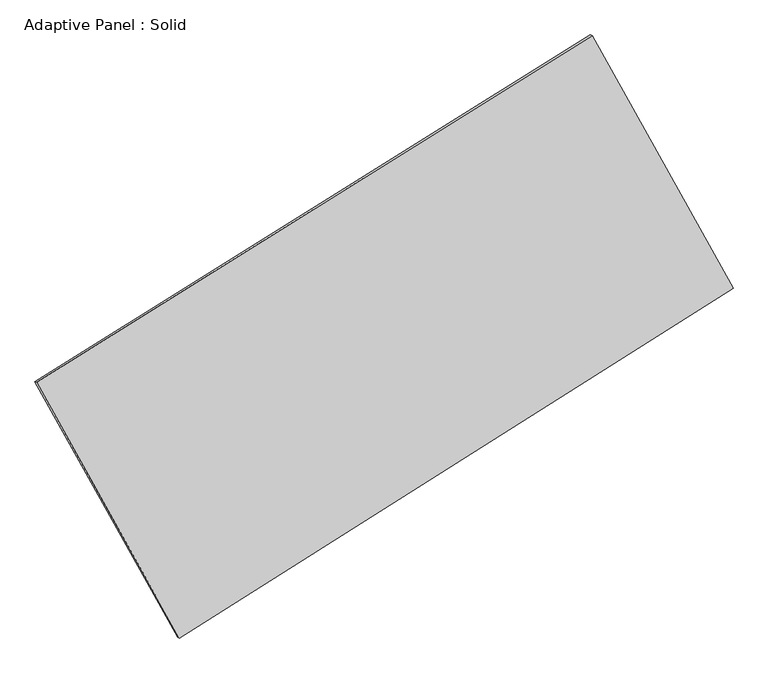
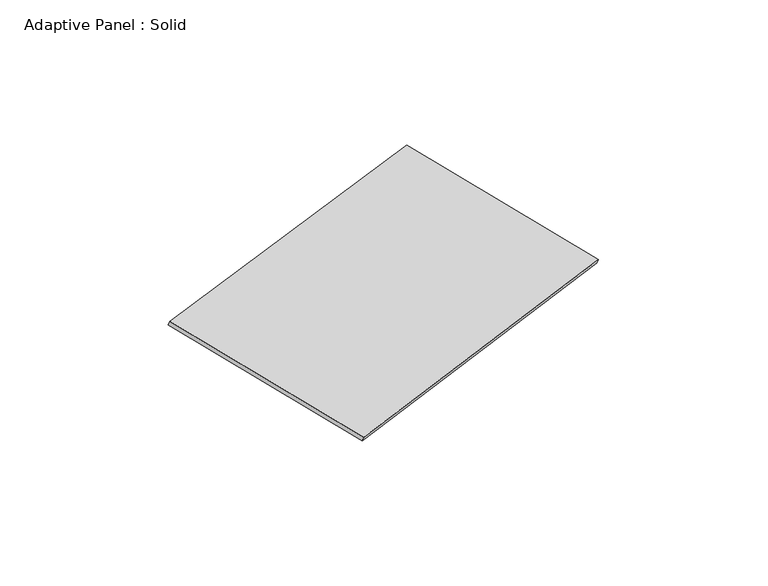
"""IFC4 building model written with IfcOpenShell, lengths in millimetres: plate geometry, Adaptive Panel : Solid."""

from ifc_helpers import new_model, si_unit, frame, origin, place, context, project, spatial, polyline, outline, extrude, source, transform, mapped, element, save


def adaptive_panel_solid_0975fda9(model_context):
    return source(origin(), model_context, "Body", "SweptSolid", [
        extrude(outline(polyline([(-1320.7488273, 2941.1867058), (1320.7488273, 2941.1867057), (1337.5496045, -2941.1867058), (-1337.5496044, -2941.1867058), (-1320.7488273, 2941.1867058)])), frame((-650.8226445, -100.0621432, 871.2806301), z_axis=(0.2933271166111763, -0.12760186928687134, 0.9474581603506668), x_axis=(0.4712190806990027, -0.8430027217767686, -0.25942048697461584)), (0.0, 0.0, 1.0), 50.0),
    ])


if __name__ == "__main__":
    model = new_model("IFC4")
    model_context = context("Model", 3, world=origin())
    ifc_project = project(units=[si_unit("LENGTHUNIT", "METRE", prefix="MILLI")], contexts=[model_context])
    site = spatial("IfcSite", under=ifc_project)
    building = spatial("IfcBuilding", under=site)
    placement = place(None, origin())
    adaptive_panel_solid_shape = adaptive_panel_solid_0975fda9(model_context)
    element("IfcPlate", 1, ObjectType="Adaptive Panel : Solid", at=placement, inside=building, context=model_context, shape_type="MappedRepresentation", body=[
        mapped(adaptive_panel_solid_shape, transform((0.0, 0.0, 0.0), x_axis=(1.0, 0.0, 0.0), y_axis=(0.0, 1.0, 0.0), z_axis=(0.0, 0.0, 1.0))),
    ])
    save(model, "model.ifc")
